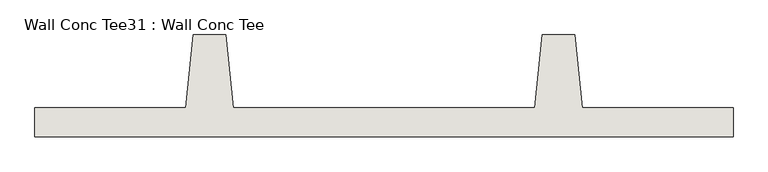
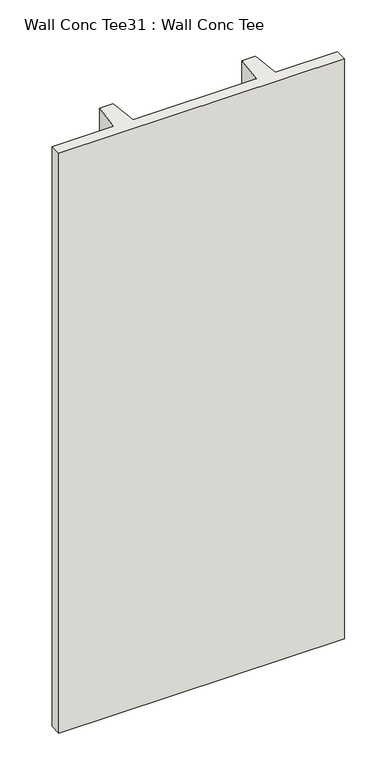
"""IFC4 building model written with IfcOpenShell, lengths in millimetres: wall geometry, Wall Conc Tee31 : Wall Conc Tee."""

from ifc_helpers import new_model, si_unit, frame, origin, place, context, project, spatial, polyline, outline, extrude, source, transform, mapped, element, save


def wall_conc_tee31_wall_conc_tee_47d45464(model_context):
    return source(origin(), model_context, "Body", "SweptSolid", [
        extrude(outline(polyline([(210173.0728488, 193104.2596581), (207734.6728488, 193104.2596581), (207734.6728488, 193205.8596581), (208261.7228488, 193205.8596581), (208287.1228488, 193459.8596581), (208401.4228488, 193459.8596581), (208426.8228488, 193205.8596581), (209480.9228488, 193205.8596581), (209506.3228488, 193459.8596581), (209620.6228488, 193459.8596581), (209646.0228488, 193205.8596581), (210173.0728488, 193205.8596581), (210173.0728488, 193104.2596581)])), frame((0.0, 0.0, 143.7592564), z_axis=(0.0, 0.0, 1.0), x_axis=(1.0, 0.0, 0.0)), (0.0, 0.0, 1.0), 5232.4087123),
    ])


if __name__ == "__main__":
    model = new_model("IFC4")
    model_context = context("Model", 3, world=origin())
    ifc_project = project(units=[si_unit("LENGTHUNIT", "METRE", prefix="MILLI")], contexts=[model_context])
    site = spatial("IfcSite", under=ifc_project)
    building = spatial("IfcBuilding", under=site)
    placement = place(None, origin())
    wall_conc_tee31_wall_conc_tee_shape = wall_conc_tee31_wall_conc_tee_47d45464(model_context)
    element("IfcWall", 1, ObjectType="Wall Conc Tee31 : Wall Conc Tee", at=placement, inside=building, context=model_context, shape_type="MappedRepresentation", body=[
        mapped(wall_conc_tee31_wall_conc_tee_shape, transform((0.0, 0.0, 0.0), x_axis=(1.0, 0.0, 0.0), y_axis=(0.0, 1.0, 0.0), z_axis=(0.0, 0.0, 1.0))),
    ])
    save(model, "model.ifc")
